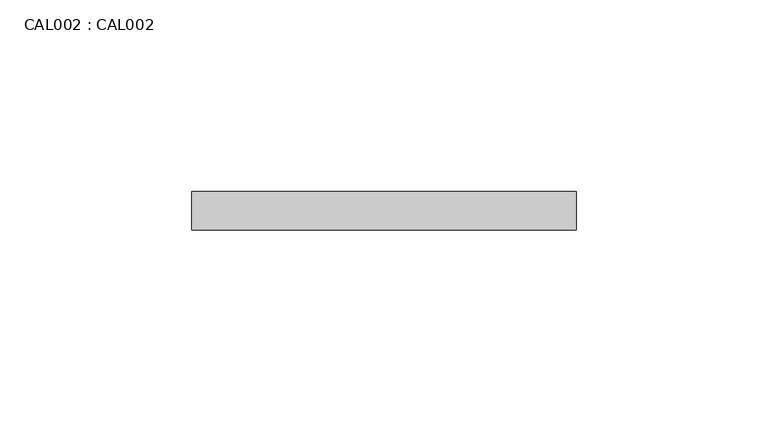
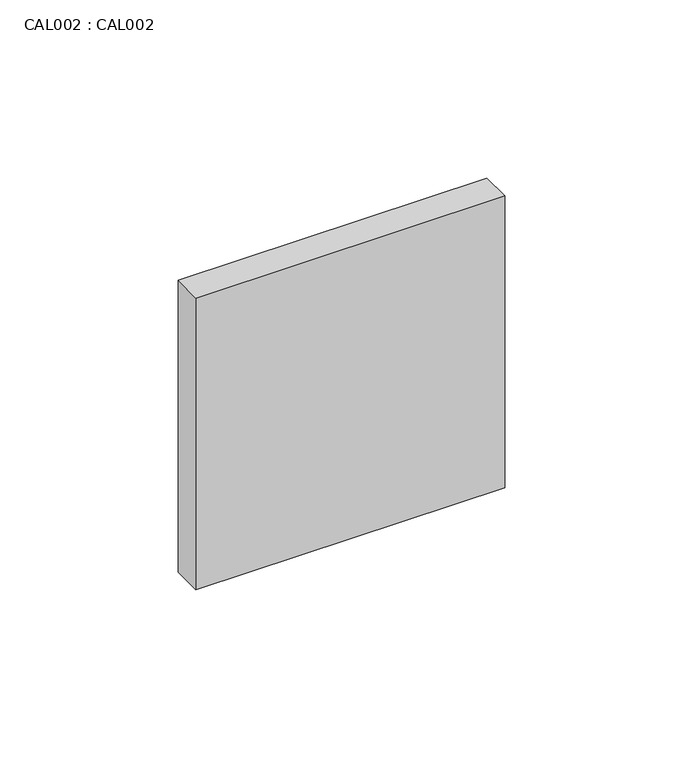
"""IFC4 building model written with IfcOpenShell, lengths in millimetres: proxy geometry, CAL002 : CAL002."""

from ifc_helpers import new_model, si_unit, frame, origin, place, context, project, spatial, polyline, outline, extrude, source, transform, mapped, element, save


def cal002_cal002_fcad8c2b(model_context):
    return source(origin(), model_context, "Body", "SweptSolid", [
        extrude(outline(polyline([(50.0000004, 0.0), (50.0000004, -10.0000005), (-50.0000004, -10.0000005), (-50.0000004, 0.0), (50.0000004, 0.0)])), frame((0.0, 0.0, -50.0000004), z_axis=(0.0, 0.0, 1.0), x_axis=(1.0, 0.0, 0.0)), (0.0, 0.0, 1.0), 100.0000008),
    ])


if __name__ == "__main__":
    model = new_model("IFC4")
    model_context = context("Model", 3, world=origin())
    ifc_project = project(units=[si_unit("LENGTHUNIT", "METRE", prefix="MILLI")], contexts=[model_context])
    site = spatial("IfcSite", under=ifc_project)
    building = spatial("IfcBuilding", under=site)
    placement = place(None, origin())
    cal002_cal002_shape = cal002_cal002_fcad8c2b(model_context)
    element("IfcBuildingElementProxy", 1, Name="CAL002 : CAL002", ObjectType="CAL002 : CAL002", at=placement, inside=building, context=model_context, shape_type="MappedRepresentation", body=[
        mapped(cal002_cal002_shape, transform((0.0, 0.0, 0.0), x_axis=(1.0, 0.0, 0.0), y_axis=(0.0, 1.0, 0.0), z_axis=(0.0, 0.0, 1.0))),
    ])
    save(model, "model.ifc")
